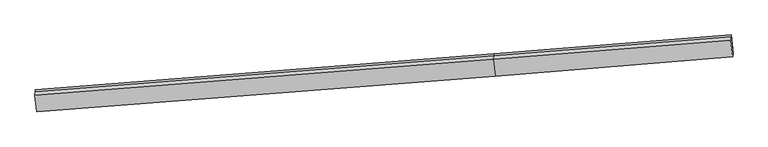
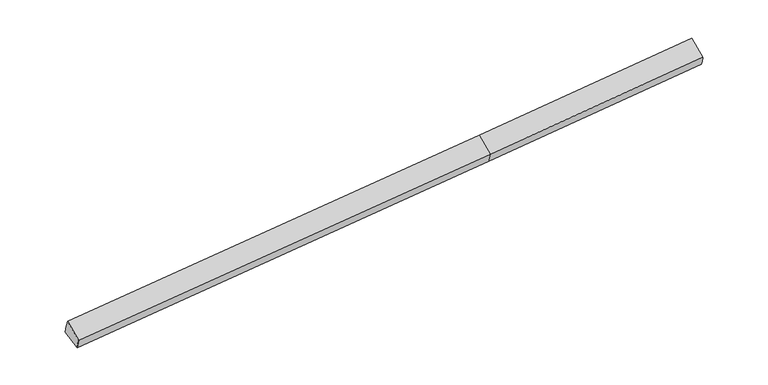
"""IFC4 building model written with IfcOpenShell, lengths in millimetres: proxy geometry."""

from ifc_helpers import new_model, si_unit, frame, origin, place, context, project, spatial, source, transform, mapped, element, save
from ifc_brep_helpers import plane_surface, spline_surface, advanced_brep


def generic_models_a2feabb4(model_context):
    return source(origin(), model_context, "Body", "AdvancedBrep", [
        advanced_brep(
        [(-14347.3754725, -2461.0887892, 1012.5914656), (-14354.1611843, -2532.9998284, 1219.9056043), (1888.8822072, -1269.1452065, 2174.0742881), (1895.5133728, -1198.8719576, 1971.4817762), (-14280.1240055, -3129.5430033, 782.9260485), (1961.3440342, -1853.2038995, 1746.6684453), (-14293.0731046, -3247.3172837, 1152.8375015), (1949.8157407, -1985.1004521, 2111.727812), (-14365.7973967, -2656.3136603, 1575.410143), (1877.0914487, -1394.0968287, 2534.3004536), (10361.4749152, -1297.471796, 2604.3929593), (10373.0231357, -1184.8168332, 2264.4286284), (10306.7188724, -525.7774672, 2490.8593214), (10300.2422529, -594.4129258, 2688.7302067), (10288.7506232, -706.4681725, 3026.9656009)],
        [
            (0, 1),
            (1, 2),
            (2, 3),
            (3, 0),
            (4, 0),
            (0, 5),
            (5, 4),
            (6, 4),
            (5, 7),
            (7, 6),
            (8, 6),
            (7, 9),
            (9, 8),
            (1, 8),
            (9, 2),
            (10, 11),
            (11, 12),
            (12, 13),
            (13, 14),
            (14, 10),
            (3, 5),
            (5, 11),
            (10, 7),
            (3, 12),
            (2, 13),
            (9, 14),
        ],
        [
            plane_surface(frame((-14350.7683284, -2497.0443088, 1116.248535), z_axis=(-0.09228131469207375, 0.9416767069929493, 0.32361881661241226), x_axis=(-0.03090922602369732, -0.3275580561286756, 0.9443253356824752))),
            plane_surface(frame((-14313.749739, -2795.3158962, 897.7587571), z_axis=(0.03029952428504567, 0.3275093129248262, -0.944362000916814), x_axis=(-0.09472037607494642, 0.9414848085738415, 0.32347241857830455))),
            spline_surface(1, 1, [[(-14293.0731046, -3247.3172837, 1152.8375015), (1949.8157407, -1985.1004521, 2111.727812)], [(-14280.1240055, -3129.5430033, 782.9260485), (1961.3440342, -1853.2038995, 1746.6684453)]], [2, 2], [2, 2], [0.0, 1.0], [0.0, 1.0]),
            plane_surface(frame((-14329.4352507, -2951.815472, 1364.1238223), z_axis=(-0.0027969538994417065, -0.5818529163907394, 0.8132892233003434), x_axis=(0.09959972934877155, -0.8094104364450078, -0.5787353793294078))),
            plane_surface(frame((-14359.9792905, -2594.6567443, 1397.6578737), z_axis=(-0.09228131469207371, 0.9416767069929496, 0.32361881661241076), x_axis=(-0.030909226023696675, -0.32755805612867406, 0.9443253356824758))),
            plane_surface(frame((10326.0419599, -861.7894389, 2615.0753434), z_axis=(0.9950239545371939, 0.07944856883467546, 0.060126989008983396), x_axis=(0.032227909491819424, 0.3143890394714653, -0.9487470124906833))),
            plane_surface(frame((-14321.5924948, -2873.5656841, 1130.9412897), z_axis=(-0.9950239545371946, -0.07944856883467596, -0.06012698900897065), x_axis=(0.03090922602369512, 0.32755805612867445, -0.9443253356824757))),
            plane_surface(frame((-14347.3754725, -2461.0887892, 1012.5914656), z_axis=(0.030299524285046384, 0.32750931292481283, -0.9443620009168185), x_axis=(-0.09472037607494553, 0.9414848085738462, 0.3234724185782912))),
            spline_surface(1, 1, [[(1949.8157407, -1985.1004521, 2111.727812), (10361.4749152, -1297.471796, 2604.3929593)], [(1961.3440342, -1853.2038995, 1746.6684453), (10373.0231357, -1184.8168332, 2264.4286284)]], [2, 2], [2, 2], [0.0, 1.0], [0.0, 1.0]),
            plane_surface(frame((1928.4287035, -1526.0379285, 1859.0751107), z_axis=(0.032086181774159395, 0.32765180377534164, -0.9442535530364292), x_axis=(-0.0947203760749499, 0.9414848085738435, 0.32347241857829756))),
            plane_surface(frame((1892.19779, -1234.008582, 2072.7780322), z_axis=(-0.09530884850455675, 0.9414376554869659, 0.32343680097963623), x_axis=(-0.03090922602369652, -0.3275580561286739, 0.9443253356824759))),
            spline_surface(1, 1, [[(1888.8822072, -1269.1452065, 2174.0742881), (10300.2422529, -594.4129258, 2688.7302067)], [(1877.0914487, -1394.0968287, 2534.3004536), (10288.7506232, -706.4681725, 3026.9656009)]], [2, 2], [2, 2], [0.0, 1.0], [0.0, 1.0]),
            plane_surface(frame((1913.4535947, -1689.5986404, 2323.0141328), z_axis=(-9.61997411195667e-05, -0.5816353031176946, 0.8134496695633955), x_axis=(0.09959972934876565, -0.8094104364450166, -0.5787353793293963))),
        ],
        [
            (0, [[1, 2, 3, 4]]),
            (1, [[5, 6, 7]]),
            (2, [[8, -7, 9, 10]]),
            (3, [[11, -10, 12, 13]]),
            (4, [[14, -13, 15, -2]]),
            (5, [[16, 17, 18, 19, 20]]),
            (6, [[-1, -5, -8, -11, -14]]),
            (7, [[21, -6, -4]]),
            (8, [[-9, 22, -16, 23]]),
            (9, [[-21, 24, -17, -22]]),
            (10, [[-3, 25, -18, -24]]),
            (11, [[-15, 26, -19, -25]]),
            (12, [[-12, -23, -20, -26]]),
        ],
    ),
    ])


if __name__ == "__main__":
    model = new_model("IFC4")
    model_context = context("Model", 3, world=origin())
    ifc_project = project(units=[si_unit("LENGTHUNIT", "METRE", prefix="MILLI")], contexts=[model_context])
    site = spatial("IfcSite", under=ifc_project)
    building = spatial("IfcBuilding", under=site)
    placement = place(None, origin())
    generic_models_shape = generic_models_a2feabb4(model_context)
    element("IfcBuildingElementProxy", 1, Name="Generic Models", at=placement, inside=building, context=model_context, shape_type="MappedRepresentation", body=[
        mapped(generic_models_shape, transform((0.0, 0.0, 0.0), x_axis=(1.0, 0.0, 0.0), y_axis=(0.0, 1.0, 0.0), z_axis=(0.0, 0.0, 1.0))),
    ])
    save(model, "model.ifc")
